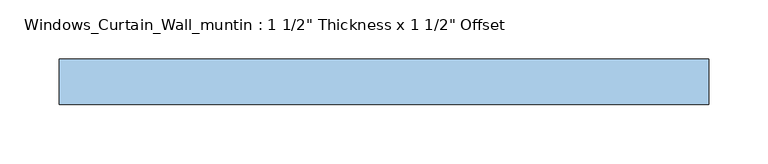
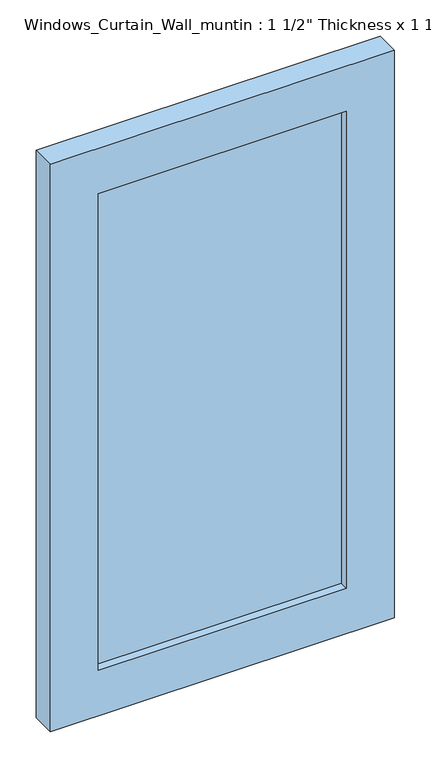
"""IFC4 building model written with IfcOpenShell, lengths in millimetres: window geometry."""

from ifc_helpers import new_model, si_unit, frame, origin, place, context, project, spatial, polyline, outline, extrude, source, transform, mapped, element, save


def window_deb04ae8(model_context):
    return source(origin(), model_context, "Body", "SweptSolid", [
        extrude(outline(polyline([(952.5, -273.05), (0.0, -273.05), (0.0, 273.05), (952.5, 273.05), (952.5, -273.05)]), holes=[polyline([(876.3, -196.85), (876.3, 196.85), (76.2, 196.85), (76.2, -196.85), (876.3, -196.85)])]), frame((0.0, 0.0, 0.0), z_axis=(0.0, 1.0, 0.0), x_axis=(0.0, 0.0, 1.0)), (0.0, 0.0, 1.0), 38.1),
        extrude(outline(polyline([(196.85, 13.05), (-196.85, 13.05), (-196.85, 25.05), (196.85, 25.05), (196.85, 13.05)])), frame((0.0, 0.0, 76.2), z_axis=(0.0, 0.0, 1.0), x_axis=(1.0, 0.0, 0.0)), (0.0, 0.0, 1.0), 800.1),
    ])


if __name__ == "__main__":
    model = new_model("IFC4")
    model_context = context("Model", 3, world=origin())
    ifc_project = project(units=[si_unit("LENGTHUNIT", "METRE", prefix="MILLI")], contexts=[model_context])
    site = spatial("IfcSite", under=ifc_project)
    building = spatial("IfcBuilding", under=site)
    placement = place(None, origin())
    window_shape = window_deb04ae8(model_context)
    element("IfcWindow", 1, ObjectType="Windows_Curtain_Wall_muntin : 1 1/2\" Thickness x 1 1/2\" Offset", at=placement, inside=building, context=model_context, shape_type="MappedRepresentation", body=[
        mapped(window_shape, transform((0.0, 0.0, 0.0), x_axis=(1.0, 0.0, 0.0), y_axis=(0.0, 1.0, 0.0), z_axis=(0.0, 0.0, 1.0))),
    ])
    save(model, "model.ifc")
